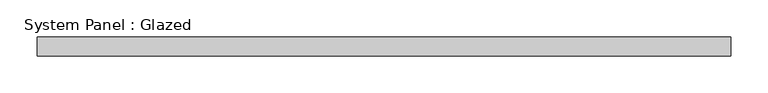
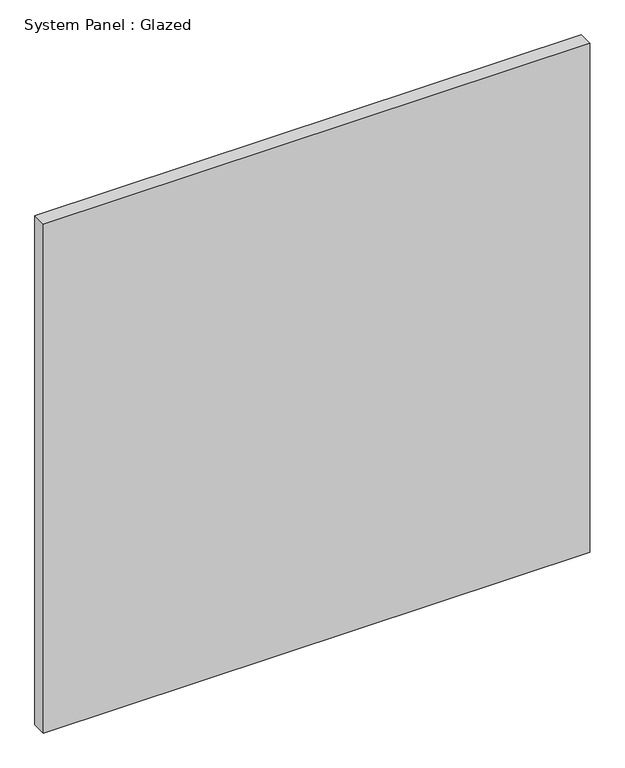
"""IFC4 building model written with IfcOpenShell, lengths in millimetres: plate geometry, System Panel : Glazed."""

from ifc_helpers import new_model, si_unit, origin, origin_with_axes, place, context, project, spatial, polyline, outline, extrude, source, transform, mapped, element, save


def system_panel_glazed_692e9992(model_context):
    return source(origin(), model_context, "Body", "SweptSolid", [
        extrude(outline(polyline([(466.725, 19.05), (-466.725, 19.05), (-466.725, 44.45), (466.725, 44.45), (466.725, 19.05)])), origin_with_axes(), (0.0, 0.0, 1.0), 919.096209),
    ])


if __name__ == "__main__":
    model = new_model("IFC4")
    model_context = context("Model", 3, world=origin())
    ifc_project = project(units=[si_unit("LENGTHUNIT", "METRE", prefix="MILLI")], contexts=[model_context])
    site = spatial("IfcSite", under=ifc_project)
    building = spatial("IfcBuilding", under=site)
    placement = place(None, origin())
    system_panel_glazed_shape = system_panel_glazed_692e9992(model_context)
    element("IfcPlate", 1, ObjectType="System Panel : Glazed", at=placement, inside=building, context=model_context, shape_type="MappedRepresentation", body=[
        mapped(system_panel_glazed_shape, transform((0.0, 0.0, 0.0), x_axis=(1.0, 0.0, 0.0), y_axis=(0.0, 1.0, 0.0), z_axis=(0.0, 0.0, 1.0))),
    ])
    save(model, "model.ifc")
